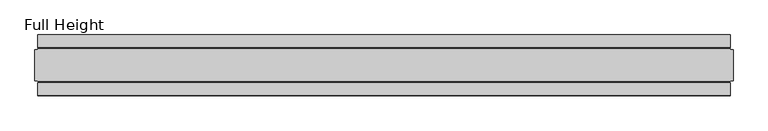
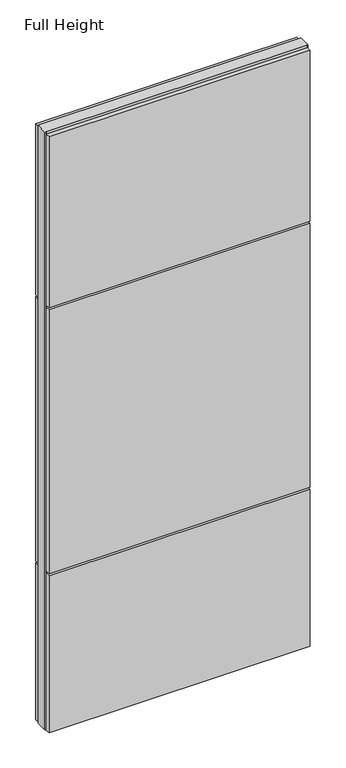
"""IFC4 building model written with IfcOpenShell, lengths in millimetres: plate geometry, Full Height."""

from ifc_helpers import new_model, si_unit, frame, origin, origin_with_axes, place, context, project, spatial, polyline, outline, extrude, source, transform, mapped, element, save


def full_height_c1ebf451(model_context):
    return source(origin(), model_context, "Body", "SweptSolid", [
        extrude(outline(polyline([(567.117726, 28.956), (-567.117726, 28.956), (-567.117726, 49.53), (567.117726, 49.53), (567.117726, 28.956)])), frame((0.0, 0.0, 1949.196), z_axis=(0.0, 0.0, 1.0), x_axis=(1.0, 0.0, 0.0)), (0.0, 0.0, 1.0), 784.86),
        extrude(outline(polyline([(567.117726, 28.956), (-567.117726, 28.956), (-567.117726, 49.53), (567.117726, 49.53), (567.117726, 28.956)])), frame((0.0, 0.0, 729.996), z_axis=(0.0, 0.0, 1.0), x_axis=(1.0, 0.0, 0.0)), (0.0, 0.0, 1.0), 1210.056),
        extrude(outline(polyline([(567.117726, 28.956), (-567.117726, 28.956), (-567.117726, 49.53), (567.117726, 49.53), (567.117726, 28.956)])), origin_with_axes(), (0.0, 0.0, 1.0), 720.852),
        extrude(outline(polyline([(567.117726, -28.956), (567.117726, -49.53), (-567.117726, -49.53), (-567.117726, -28.956), (567.117726, -28.956)])), frame((0.0, 0.0, 1949.196), z_axis=(0.0, 0.0, 1.0), x_axis=(1.0, 0.0, 0.0)), (0.0, 0.0, 1.0), 784.86),
        extrude(outline(polyline([(567.117726, -28.956), (567.117726, -49.53), (-567.117726, -49.53), (-567.117726, -28.956), (567.117726, -28.956)])), frame((0.0, 0.0, 729.996), z_axis=(0.0, 0.0, 1.0), x_axis=(1.0, 0.0, 0.0)), (0.0, 0.0, 1.0), 1210.056),
        extrude(outline(polyline([(567.117726, -28.956), (567.117726, -49.53), (-567.117726, -49.53), (-567.117726, -28.956), (567.117726, -28.956)])), origin_with_axes(), (0.0, 0.0, 1.0), 720.852),
        extrude(outline(polyline([(567.117726, -25.146), (567.117726, -26.67), (-567.117726, -26.67), (-567.117726, -25.146), (-571.689726, -25.146), (-571.689726, 25.146), (-567.117726, 25.146), (-567.117726, 26.67), (567.117726, 26.67), (567.117726, 25.146), (571.689726, 25.146), (571.689726, -25.146), (567.117726, -25.146)])), origin_with_axes(), (0.0, 0.0, 1.0), 2743.2),
    ])


if __name__ == "__main__":
    model = new_model("IFC4")
    model_context = context("Model", 3, world=origin())
    ifc_project = project(units=[si_unit("LENGTHUNIT", "METRE", prefix="MILLI")], contexts=[model_context])
    site = spatial("IfcSite", under=ifc_project)
    building = spatial("IfcBuilding", under=site)
    placement = place(None, origin())
    full_height_shape = full_height_c1ebf451(model_context)
    element("IfcPlate", 1, ObjectType="Full Height", at=placement, inside=building, context=model_context, shape_type="MappedRepresentation", body=[
        mapped(full_height_shape, transform((0.0, 0.0, 0.0), x_axis=(1.0, 0.0, 0.0), y_axis=(0.0, 1.0, 0.0), z_axis=(0.0, 0.0, 1.0))),
    ])
    save(model, "model.ifc")
